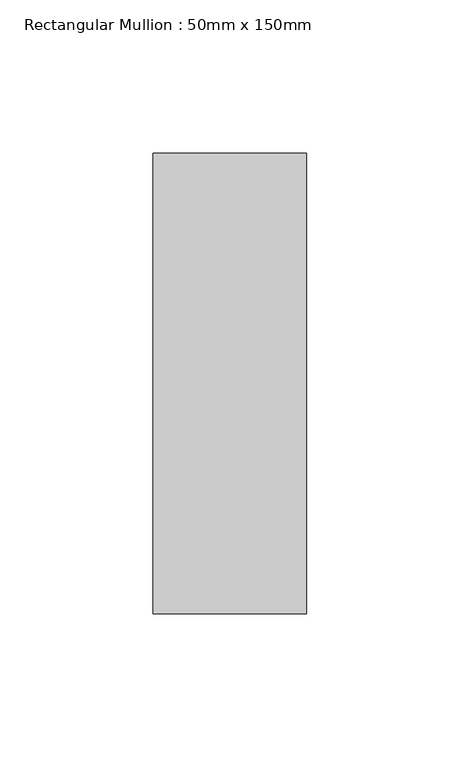
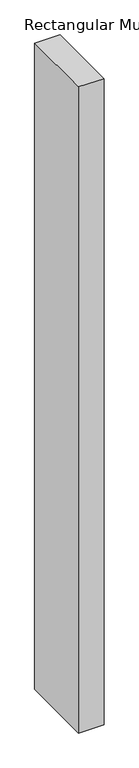
"""IFC4 building model written with IfcOpenShell, lengths in millimetres: member geometry, Rectangular Mullion : 50mm x 150mm."""

from ifc_helpers import new_model, si_unit, frame, origin, place, context, project, spatial, polyline, outline, extrude, source, transform, mapped, element, save


def rectangular_mullion_50mm_x_150mm_c70abc6a(model_context):
    return source(origin(), model_context, "Body", "SweptSolid", [
        extrude(outline(polyline([(25.0, 75.0), (25.0, -75.0), (-25.0, -75.0), (-25.0, 75.0), (25.0, 75.0)])), frame((0.0, 0.0, -1347.8571428), z_axis=(0.0, 0.0, 1.0), x_axis=(1.0, 0.0, 0.0)), (0.0, 0.0, 1.0), 1347.8571428),
    ])


if __name__ == "__main__":
    model = new_model("IFC4")
    model_context = context("Model", 3, world=origin())
    ifc_project = project(units=[si_unit("LENGTHUNIT", "METRE", prefix="MILLI")], contexts=[model_context])
    site = spatial("IfcSite", under=ifc_project)
    building = spatial("IfcBuilding", under=site)
    placement = place(None, origin())
    rectangular_mullion_50mm_x_150mm_shape = rectangular_mullion_50mm_x_150mm_c70abc6a(model_context)
    element("IfcMember", 1, ObjectType="Rectangular Mullion : 50mm x 150mm", at=placement, inside=building, context=model_context, shape_type="MappedRepresentation", body=[
        mapped(rectangular_mullion_50mm_x_150mm_shape, transform((0.0, 0.0, 0.0), x_axis=(1.0, 0.0, 0.0), y_axis=(0.0, 1.0, 0.0), z_axis=(0.0, 0.0, 1.0))),
    ])
    save(model, "model.ifc")
